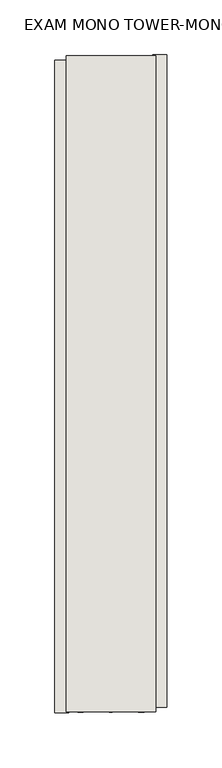
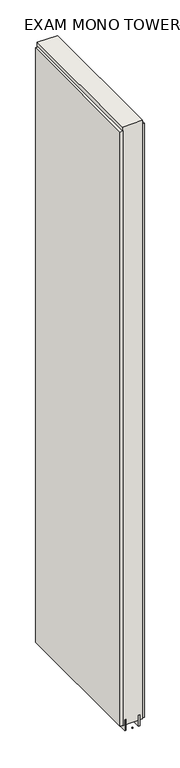
"""IFC4 building model written with IfcOpenShell, lengths in millimetres: wall geometry, EXAM MONO TOWER-MONO ACCENT 287941 : EXAM MONO TOWER-MONO ACCENT 287941."""

from ifc_helpers import new_model, si_unit, frame, origin, place, context, project, spatial, polyline, outline, extrude, source, transform, mapped, element, save


def exam_mono_tower_mono_accent_287941_exam_mono_tower_mono_af63a595(model_context):
    return source(origin(), model_context, "Body", "SweptSolid", [
        extrude(outline(polyline([(78033.282211, -48371.5355148), (78033.282211, -48374.0755148), (78030.742211, -48374.0755148), (78030.742211, -48371.5355148), (78033.282211, -48371.5355148)])), frame((0.0, 0.0, 4419.6), z_axis=(0.0, 0.0, 1.0), x_axis=(1.0, 0.0, 0.0)), (0.0, 0.0, 1.0), 2.54),
        extrude(outline(polyline([(77981.212211, -48374.5386076), (77981.212211, -47781.6386504), (77993.912211, -47781.6386504), (77993.912211, -48374.5386076), (77981.212211, -48374.5386076)])), frame((0.0, 0.0, 4445.0), z_axis=(0.0, 0.0, 1.0), x_axis=(1.0, 0.0, 0.0)), (0.0, 0.0, 1.0), 2545.0498756),
        extrude(outline(polyline([(78082.812211, -47776.7087136), (78082.812211, -48369.6086708), (78070.112211, -48369.6086708), (78070.112211, -47776.7087136), (78082.812211, -47776.7087136)])), frame((0.0, 0.0, 4445.0), z_axis=(0.0, 0.0, 1.0), x_axis=(1.0, 0.0, 0.0)), (0.0, 0.0, 1.0), 2545.0498756),
        extrude(outline(polyline([(78006.9284664, -47777.1705618), (78006.9284664, -48374.0705618), (78001.849711, -48374.0705618), (78001.849711, -47777.1705618), (78006.9284664, -47777.1705618)])), frame((0.0, 0.0, 4418.6602), z_axis=(0.0, 0.0, 1.0), x_axis=(1.0, 0.0, 0.0)), (0.0, 0.0, 1.0), 47.625),
        extrude(outline(polyline([(78006.9284664, -47777.1705618), (78006.9284664, -48374.0705618), (78001.849711, -48374.0705618), (78001.849711, -47777.1705618), (78006.9284664, -47777.1705618)])), frame((0.0, 0.0, 4418.6602), z_axis=(0.0, 0.0, 1.0), x_axis=(1.0, 0.0, 0.0)), (0.0, 0.0, 1.0), 47.625),
        extrude(outline(polyline([(78057.0959556, -48374.0705618), (78057.0959556, -47777.1705618), (78062.174711, -47777.1705618), (78062.174711, -48374.0705618), (78057.0959556, -48374.0705618)])), frame((0.0, 0.0, 4418.6602), z_axis=(0.0, 0.0, 1.0), x_axis=(1.0, 0.0, 0.0)), (0.0, 0.0, 1.0), 47.625),
        extrude(outline(polyline([(78057.0959556, -48374.0705618), (78057.0959556, -47777.1705618), (78062.174711, -47777.1705618), (78062.174711, -48374.0705618), (78057.0959556, -48374.0705618)])), frame((0.0, 0.0, 4418.6602), z_axis=(0.0, 0.0, 1.0), x_axis=(1.0, 0.0, 0.0)), (0.0, 0.0, 1.0), 47.625),
        extrude(outline(polyline([(77991.3573266, -47777.1705618), (78072.6670954, -47777.1705618), (78072.6670954, -48374.0705618), (77991.3573266, -48374.0705618), (77991.3573266, -47777.1705618)])), frame((0.0, 0.0, 4445.0), z_axis=(0.0, 0.0, 1.0), x_axis=(1.0, 0.0, 0.0)), (0.0, 0.0, 1.0), 2562.4536762),
    ])


if __name__ == "__main__":
    model = new_model("IFC4")
    model_context = context("Model", 3, world=origin())
    ifc_project = project(units=[si_unit("LENGTHUNIT", "METRE", prefix="MILLI")], contexts=[model_context])
    site = spatial("IfcSite", under=ifc_project)
    building = spatial("IfcBuilding", under=site)
    placement = place(None, origin())
    exam_mono_tower_mono_accent_287941_exam_mono_tower_mono_shape = exam_mono_tower_mono_accent_287941_exam_mono_tower_mono_af63a595(model_context)
    element("IfcWall", 1, ObjectType="EXAM MONO TOWER-MONO ACCENT 287941 : EXAM MONO TOWER-MONO ACCENT 287941", at=placement, inside=building, context=model_context, shape_type="MappedRepresentation", body=[
        mapped(exam_mono_tower_mono_accent_287941_exam_mono_tower_mono_shape, transform((0.0, 0.0, 0.0), x_axis=(1.0, 0.0, 0.0), y_axis=(0.0, 1.0, 0.0), z_axis=(0.0, 0.0, 1.0))),
    ])
    save(model, "model.ifc")
